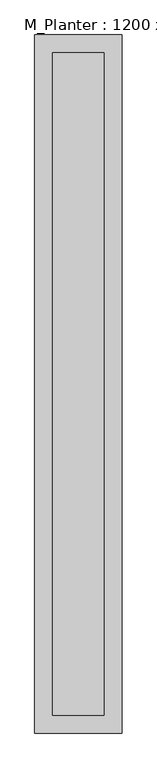
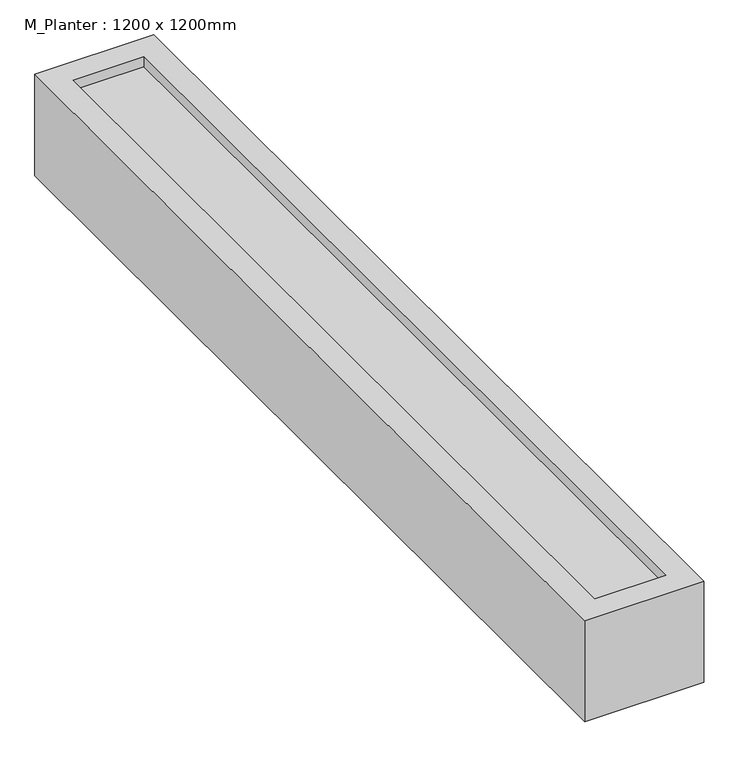
"""IFC4 building model written with IfcOpenShell, lengths in millimetres: geographic element geometry, M_Planter : 1200 x 1200mm."""

from ifc_helpers import new_model, si_unit, frame, origin, origin_with_axes, place, context, project, spatial, polyline, outline, extrude, faceted_brep, source, transform, mapped, element, save


def m_planter_1200_x_1200mm_fdc292a9(model_context):
    return source(origin(), model_context, "Body", "SolidModel", [
        extrude(outline(polyline([(148.4, 1898.4), (148.4, -1898.4), (-148.4, -1898.4), (-148.4, 1898.4), (148.4, 1898.4)])), origin_with_axes(), (0.0, 0.0, 1.0), 50.0),
        faceted_brep([(250.0, 2000.0, 500.0), (-250.0, 2000.0, 500.0), (-250.0, -2000.0, 500.0), (250.0, -2000.0, 500.0), (-148.4, 1898.4, 500.0), (148.4, 1898.4, 500.0), (148.4, -1898.4, 500.0), (-148.4, -1898.4, 500.0), (250.0, 2000.0, 50.0), (250.0, -2000.0, 50.0), (-250.0, -2000.0, 50.0), (-250.0, 2000.0, 50.0), (148.4, 1898.4, 151.6), (-148.4, 1898.4, 151.6), (-148.4, -1898.4, 151.6), (148.4, -1898.4, 151.6)], [[[0, 1, 2, 3], [4, 5, 6, 7]], [[8, 9, 10, 11]], [[1, 0, 8, 11]], [[2, 1, 11, 10]], [[3, 2, 10, 9]], [[0, 3, 9, 8]], [[12, 13, 14, 15]], [[13, 12, 5, 4]], [[14, 13, 4, 7]], [[15, 14, 7, 6]], [[12, 15, 6, 5]]]),
        extrude(outline(polyline([(-148.4, -1898.4), (-148.4, 1898.4), (148.4, 1898.4), (148.4, -1898.4), (-148.4, -1898.4)])), frame((0.0, 0.0, 386.5905838), z_axis=(0.0, 0.0, 1.0), x_axis=(1.0, 0.0, 0.0)), (0.0, 0.0, 1.0), 69.1964725),
    ])


if __name__ == "__main__":
    model = new_model("IFC4")
    model_context = context("Model", 3, world=origin())
    ifc_project = project(units=[si_unit("LENGTHUNIT", "METRE", prefix="MILLI")], contexts=[model_context])
    site = spatial("IfcSite", under=ifc_project)
    building = spatial("IfcBuilding", under=site)
    placement = place(None, origin())
    m_planter_1200_x_1200mm_shape = m_planter_1200_x_1200mm_fdc292a9(model_context)
    element("IfcGeographicElement", 1, ObjectType="M_Planter : 1200 x 1200mm", at=placement, inside=building, context=model_context, shape_type="MappedRepresentation", body=[
        mapped(m_planter_1200_x_1200mm_shape, transform((0.0, 0.0, 0.0), x_axis=(1.0, 0.0, 0.0), y_axis=(0.0, 1.0, 0.0), z_axis=(0.0, 0.0, 1.0))),
    ])
    save(model, "model.ifc")
